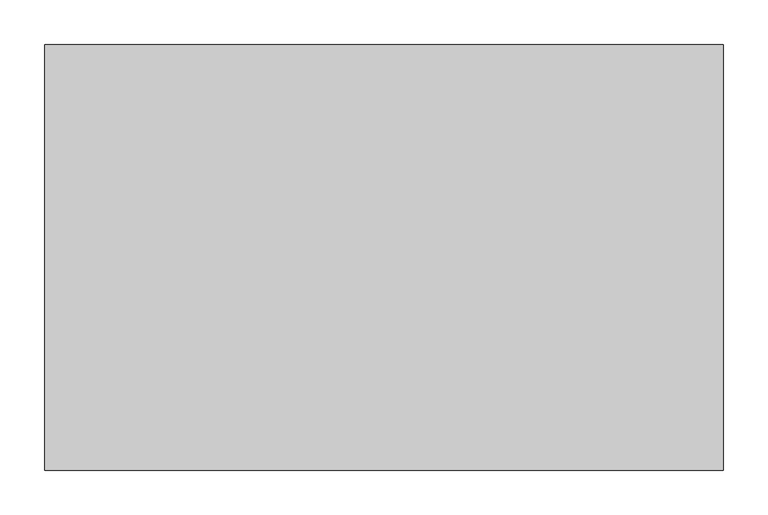
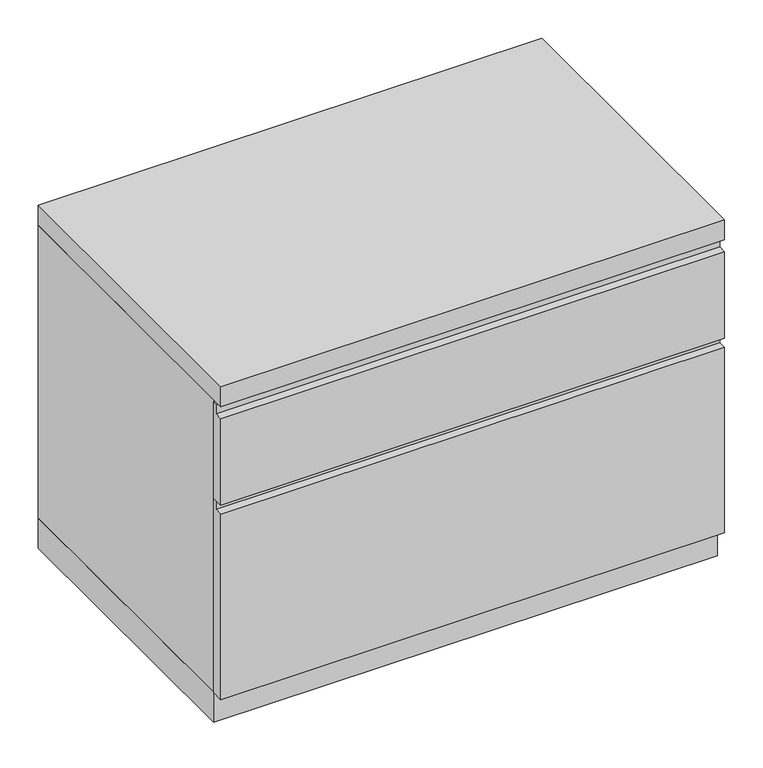
"""IFC4 building model written with IfcOpenShell, lengths in millimetres: furniture geometry."""

from ifc_helpers import new_model, si_unit, frame, origin, origin_with_axes, place, context, project, spatial, polyline, outline, extrude, source, transform, mapped, element, save


def furniture_cf5a0f43(model_context):
    return source(origin(), model_context, "Body", "SweptSolid", [
        extrude(outline(polyline([(-457.2, 357.1875), (-476.25, 357.1875), (-476.25, 495.3), (-463.55, 495.3), (-463.55, 509.5875), (-457.2, 509.5875), (-457.2, 357.1875)])), frame((-379.4125, 0.0, 0.0), z_axis=(1.0, 0.0, 0.0), x_axis=(0.0, 1.0, 0.0)), (0.0, 0.0, 1.0), 758.825),
        extrude(outline(polyline([(-457.2, 47.625), (-476.25, 47.625), (-476.25, 342.9), (-463.55, 342.9), (-463.55, 357.1875), (-457.2, 357.1875), (-457.2, 47.625)])), frame((-379.4125, 0.0, 0.0), z_axis=(1.0, 0.0, 0.0), x_axis=(0.0, 1.0, 0.0)), (0.0, 0.0, 1.0), 758.825),
        extrude(outline(polyline([(379.4125, 0.0), (379.4125, -457.2), (-379.4125, -457.2), (-379.4125, 0.0), (379.4125, 0.0)])), origin_with_axes(), (0.0, 0.0, 1.0), 47.625),
        extrude(outline(polyline([(379.4125, 0.0), (379.4125, -476.25), (-379.4125, -476.25), (-379.4125, 0.0), (379.4125, 0.0)])), frame((0.0, 0.0, 514.35), z_axis=(0.0, 0.0, 1.0), x_axis=(1.0, 0.0, 0.0)), (0.0, 0.0, 1.0), 31.75),
        extrude(outline(polyline([(379.4125, 0.0), (379.4125, -457.2), (360.3625, -457.2), (360.3625, -19.05), (-360.3625, -19.05), (-360.3625, -457.2), (-379.4125, -457.2), (-379.4125, 0.0), (379.4125, 0.0)])), frame((0.0, 0.0, 47.625), z_axis=(0.0, 0.0, 1.0), x_axis=(1.0, 0.0, 0.0)), (0.0, 0.0, 1.0), 466.725),
    ])


if __name__ == "__main__":
    model = new_model("IFC4")
    model_context = context("Model", 3, world=origin())
    ifc_project = project(units=[si_unit("LENGTHUNIT", "METRE", prefix="MILLI")], contexts=[model_context])
    site = spatial("IfcSite", under=ifc_project)
    building = spatial("IfcBuilding", under=site)
    placement = place(None, origin())
    furniture_shape = furniture_cf5a0f43(model_context)
    element("IfcFurniture", 1, at=placement, inside=building, context=model_context, shape_type="MappedRepresentation", body=[
        mapped(furniture_shape, transform((0.0, 0.0, 0.0), x_axis=(1.0, 0.0, 0.0), y_axis=(0.0, 1.0, 0.0), z_axis=(0.0, 0.0, 1.0))),
    ])
    save(model, "model.ifc")
